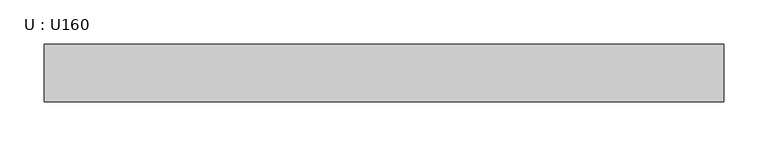
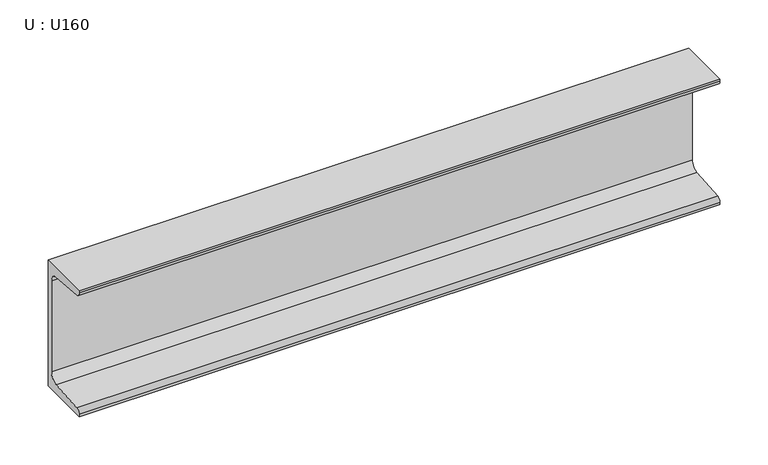
"""IFC4 building model written with IfcOpenShell, lengths in millimetres: beam geometry, U : U160."""

from ifc_helpers import new_model, si_unit, point, frame, frame_2d, origin, place, context, project, spatial, polyline, circle_curve, trimmed, segment, composite_curve, outline, extrude, source, transform, mapped, element, save


def u_u160_085a69bd(model_context):
    return source(origin(), model_context, "Body", "SweptSolid", [
        extrude(outline(composite_curve([segment(polyline([(18.4, 80.0), (18.4, -80.0), (-46.6, -80.0), (-46.6, -77.1756821)]), True, "CONTINUOUS"), segment(trimmed(circle_curve(frame_2d((-41.1, -77.1756821)), 5.5), [point((-46.6, -77.1756821))], [point((-41.5382235, -71.693168))], False, "CARTESIAN"), True, "CONTINUOUS"), segment(polyline([(-41.5382235, -71.693168), (1.2366085, -68.2741277)]), True, "CONTINUOUS"), segment(trimmed(circle_curve(frame_2d((0.4, -57.8075099)), 10.5), [point((1.2366085, -68.2741277))], [point((10.9, -57.8075099))], True, "CARTESIAN"), True, "CONTINUOUS"), segment(polyline([(10.9, -57.8075099), (10.9, 57.8075099)]), True, "CONTINUOUS"), segment(trimmed(circle_curve(frame_2d((0.4, 57.8075099)), 10.5), [point((10.9, 57.8075099))], [point((1.2366085, 68.2741277))], True, "CARTESIAN"), True, "CONTINUOUS"), segment(polyline([(1.2366085, 68.2741277), (-41.5382235, 71.693168)]), True, "CONTINUOUS"), segment(trimmed(circle_curve(frame_2d((-41.1, 77.1756821)), 5.5), [point((-41.5382235, 71.693168))], [point((-46.6, 77.1756821))], False, "CARTESIAN"), True, "CONTINUOUS"), segment(polyline([(-46.6, 77.1756821), (-46.6, 80.0), (18.4, 80.0)]), True, "CONTINUOUS")], self_intersect=False)), frame((-385.000008, 0.0, 0.0), z_axis=(1.0, 0.0, 0.0), x_axis=(0.0, 1.0, 0.0)), (0.0, 0.0, 1.0), 770.0000161),
    ])


if __name__ == "__main__":
    model = new_model("IFC4")
    model_context = context("Model", 3, world=origin())
    ifc_project = project(units=[si_unit("LENGTHUNIT", "METRE", prefix="MILLI")], contexts=[model_context])
    site = spatial("IfcSite", under=ifc_project)
    building = spatial("IfcBuilding", under=site)
    placement = place(None, origin())
    u_u160_shape = u_u160_085a69bd(model_context)
    element("IfcBeam", 1, ObjectType="U : U160", at=placement, inside=building, context=model_context, shape_type="MappedRepresentation", body=[
        mapped(u_u160_shape, transform((0.0, 0.0, 0.0), x_axis=(1.0, 0.0, 0.0), y_axis=(0.0, 1.0, 0.0), z_axis=(0.0, 0.0, 1.0))),
    ])
    save(model, "model.ifc")
